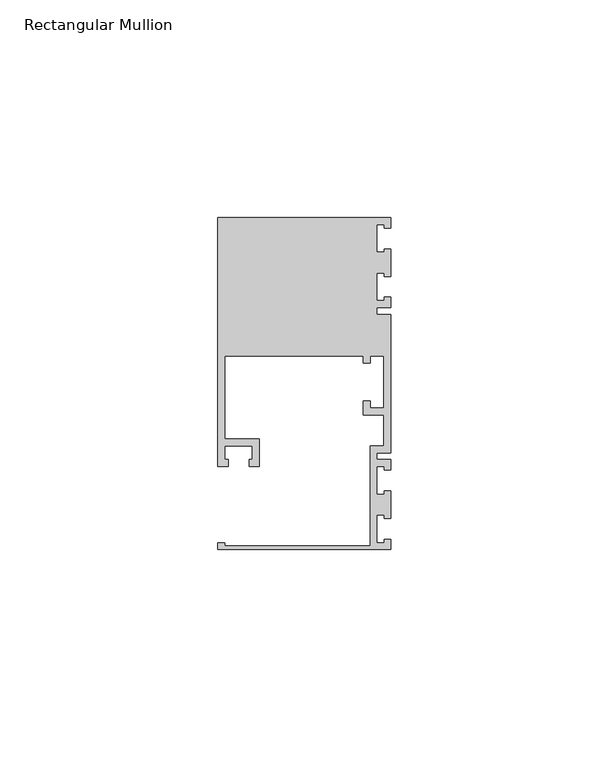
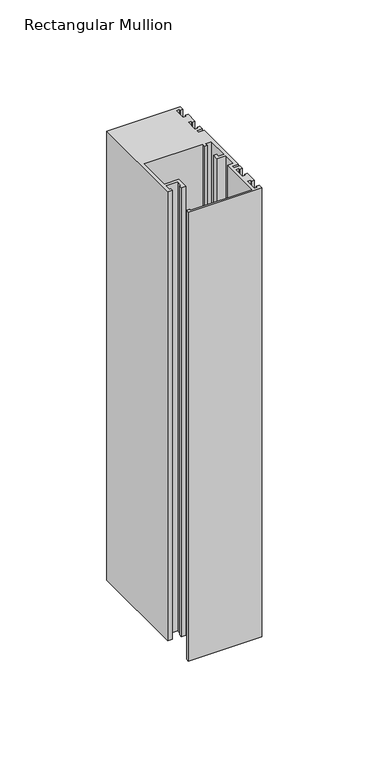
"""IFC4 building model written with IfcOpenShell, lengths in millimetres: member geometry, Rectangular Mullion."""

from ifc_helpers import new_model, si_unit, frame, origin, place, context, project, spatial, polyline, outline, extrude, source, transform, mapped, element, save


def rectangular_mullion_0bfc3322(model_context):
    return source(origin(), model_context, "Body", "SweptSolid", [
        extrude(outline(polyline([(0.0, -38.1), (-39.6875, -38.1), (-39.6875, -36.5125), (-38.1, -36.5125), (-38.1, -37.30625), (-4.7625, -37.30625), (-4.7625, -14.2875), (-1.5875, -14.2875), (-1.5875, -7.14375), (-6.35, -7.14375), (-6.35, -3.96875), (-4.7625, -3.96875), (-4.7625, -5.55625), (-1.5875, -5.55625), (-1.5875, 6.35), (-4.7625, 6.35), (-4.7625, 4.7625), (-6.35, 4.7625), (-6.35, 6.35), (-38.1, 6.35), (-38.1, -12.7), (-30.1625, -12.7), (-30.1625, -19.05), (-32.54375, -19.05), (-32.54375, -17.4625), (-31.75, -17.4625), (-31.75, -14.2875), (-38.1, -14.2875), (-38.1, -17.4625), (-37.30625, -17.4625), (-37.30625, -19.05), (-39.6875, -19.05), (-39.6875, 38.1), (0.0, 38.1), (0.0, 35.71875), (-1.4999946, 35.71875), (-1.4999946, 36.5125), (-3.175, 36.5125), (-3.175, 30.1625), (-1.4999946, 30.1625), (-1.4999946, 30.95625), (0.0, 30.95625), (0.0, 24.60625), (-1.4999946, 24.60625), (-1.4999946, 25.4), (-3.175, 25.4), (-3.175, 19.05), (-1.4999946, 19.05), (-1.4999946, 19.84375), (0.0, 19.84375), (0.0, 17.4625), (-3.175, 17.4625), (-3.175, 15.875), (0.0, 15.875), (0.0, -15.875), (-3.175, -15.875), (-3.175, -17.4625), (0.0, -17.4625), (0.0, -19.84375), (-1.4999946, -19.84375), (-1.4999946, -19.05), (-3.175, -19.05), (-3.175, -25.4), (-1.4999946, -25.4), (-1.4999946, -24.60625), (0.0, -24.60625), (0.0, -30.95625), (-1.4999946, -30.95625), (-1.4999946, -30.1625), (-3.175, -30.1625), (-3.175, -36.5125), (-1.4999946, -36.5125), (-1.4999946, -35.71875), (0.0, -35.71875), (0.0, -38.1)])), frame((0.0, 0.0, -256.38125), z_axis=(0.0, 0.0, 1.0), x_axis=(1.0, 0.0, 0.0)), (0.0, 0.0, 1.0), 256.38125),
    ])


if __name__ == "__main__":
    model = new_model("IFC4")
    model_context = context("Model", 3, world=origin())
    ifc_project = project(units=[si_unit("LENGTHUNIT", "METRE", prefix="MILLI")], contexts=[model_context])
    site = spatial("IfcSite", under=ifc_project)
    building = spatial("IfcBuilding", under=site)
    placement = place(None, origin())
    rectangular_mullion_shape = rectangular_mullion_0bfc3322(model_context)
    element("IfcMember", 1, ObjectType="Rectangular Mullion", at=placement, inside=building, context=model_context, shape_type="MappedRepresentation", body=[
        mapped(rectangular_mullion_shape, transform((0.0, 0.0, 0.0), x_axis=(1.0, 0.0, 0.0), y_axis=(0.0, 1.0, 0.0), z_axis=(0.0, 0.0, 1.0))),
    ])
    save(model, "model.ifc")
